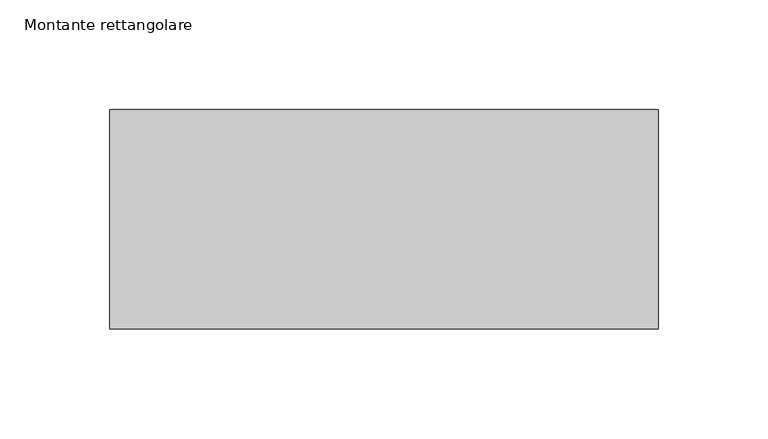
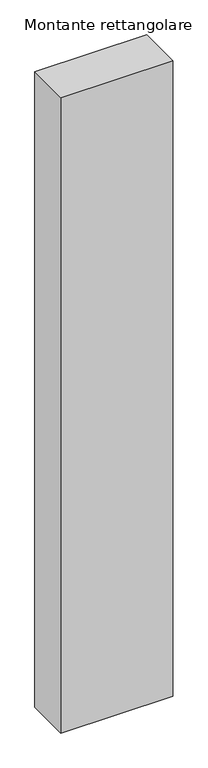
"""IFC4 building model written with IfcOpenShell, lengths in millimetres: member geometry, Montante rettangolare."""

from ifc_helpers import new_model, si_unit, frame, origin, place, context, project, spatial, polyline, outline, extrude, source, transform, mapped, element, save


def montante_rettangolare_74eb8fed(model_context):
    return source(origin(), model_context, "Body", "SweptSolid", [
        extrude(outline(polyline([(0.0, 50.0), (0.0, -50.0), (-250.0, -50.0), (-250.0, 50.0), (0.0, 50.0)])), frame((0.0, 0.0, -1500.0), z_axis=(0.0, 0.0, 1.0), x_axis=(1.0, 0.0, 0.0)), (0.0, 0.0, 1.0), 1500.0),
    ])


if __name__ == "__main__":
    model = new_model("IFC4")
    model_context = context("Model", 3, world=origin())
    ifc_project = project(units=[si_unit("LENGTHUNIT", "METRE", prefix="MILLI")], contexts=[model_context])
    site = spatial("IfcSite", under=ifc_project)
    building = spatial("IfcBuilding", under=site)
    placement = place(None, origin())
    montante_rettangolare_shape = montante_rettangolare_74eb8fed(model_context)
    element("IfcMember", 1, ObjectType="Montante rettangolare", at=placement, inside=building, context=model_context, shape_type="MappedRepresentation", body=[
        mapped(montante_rettangolare_shape, transform((0.0, 0.0, 0.0), x_axis=(1.0, 0.0, 0.0), y_axis=(0.0, 1.0, 0.0), z_axis=(0.0, 0.0, 1.0))),
    ])
    save(model, "model.ifc")
